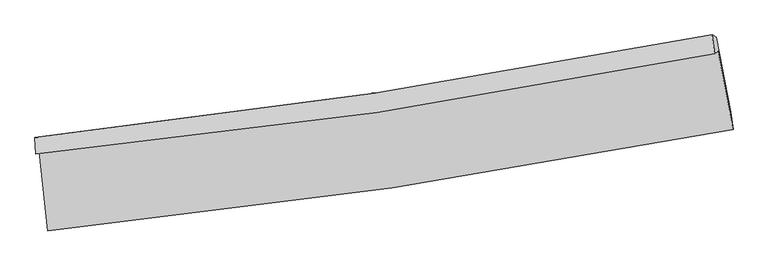
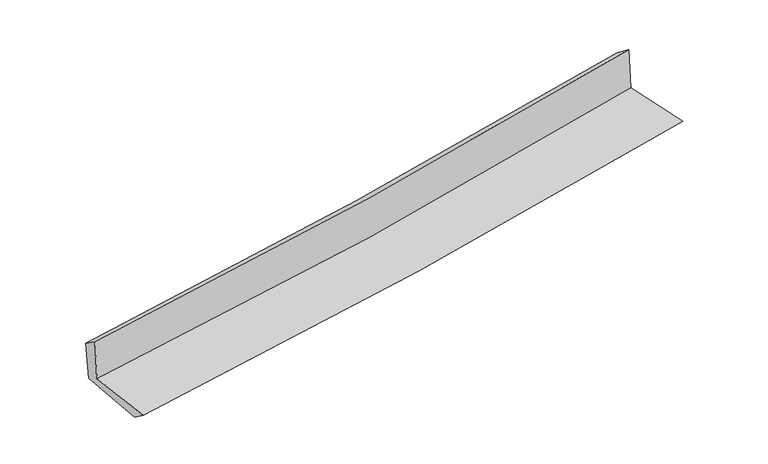
"""IFC4 building model written with IfcOpenShell, lengths in millimetres: proxy geometry."""

import ifcopenshell
import ifcopenshell.guid

model = None  # the IFC model being written
_history = None  # IfcOwnerHistory: only IFC2X3 demands one
_inside = {}  # id of a spatial element -> (the spatial element, [elements in it])
_under = {}  # id of a project, library or spatial element -> (it, [spatial elements below it])
_declared = {}  # id of a project -> (the project, [libraries it declares])
_typed = {}  # id of a type object -> (the type object, [elements of that type])
_made_of = {}  # id of a material, layer set ... -> (it, [elements and type objects made of it])


def new_model(schema):
    """Start an empty IFC model of exactly this schema.

    Asked for "IFC4X3", IfcOpenShell would pick the latest addendum, in which some entities
    have other attributes; the version numbers below select the first issue.
    IFC2X3 requires an IfcOwnerHistory on every rooted entity: one is made here for all.
    """
    global model, _history
    if schema == "IFC4X3":
        model = ifcopenshell.file(schema_version=(4, 3, 0, 0))
    else:
        model = ifcopenshell.file(schema=schema)
    _inside.clear()
    _under.clear()
    _declared.clear()
    _typed.clear()
    _made_of.clear()
    _history = None
    if model.schema == "IFC2X3":
        org = make("IfcOrganization", Name="unknown")
        user = make(
            "IfcPersonAndOrganization",
            ThePerson=make("IfcPerson", FamilyName="unknown"),
            TheOrganization=org,
        )
        app = make(
            "IfcApplication",
            ApplicationDeveloper=org,
            Version="unknown",
            ApplicationFullName="unknown",
            ApplicationIdentifier="unknown",
        )
        _history = make(
            "IfcOwnerHistory",
            OwningUser=user,
            OwningApplication=app,
            ChangeAction="ADDED",
            CreationDate=0,
        )
    return model


def make(cls, **values):
    """One entity of the class cls with the attributes given. An attribute that is None is left unset."""
    return model.create_entity(
        cls, **{name: value for name, value in values.items() if value is not None}
    )


def rooted(cls, **values):
    """An entity with a GlobalId (a new one), such as an element, a storey or a relation."""
    return make(cls, GlobalId=ifcopenshell.guid.new(), OwnerHistory=_history, **values)


def si_unit(unit_type, name, prefix=None):
    """IfcSIUnit, for example si_unit("LENGTHUNIT", "METRE", prefix="MILLI")."""
    return make("IfcSIUnit", UnitType=unit_type, Prefix=prefix, Name=name)


def assignment(units):
    """IfcUnitAssignment: the units of a project."""
    return None if units is None else make("IfcUnitAssignment", Units=units)


def point(xyz):
    """IfcCartesianPoint."""
    return None if xyz is None else make("IfcCartesianPoint", Coordinates=xyz)


def direction(xyz):
    """IfcDirection."""
    return None if xyz is None else make("IfcDirection", DirectionRatios=xyz)


def frame(location, z_axis=None, x_axis=None):
    """IfcAxis2Placement3D, a coordinate frame: its origin and axes. An axis left out is left unset."""
    return make(
        "IfcAxis2Placement3D",
        Location=point(location),
        Axis=direction(z_axis),
        RefDirection=direction(x_axis),
    )


def origin():
    """The frame at (0, 0, 0) with its axes left unset."""
    return frame((0.0, 0.0, 0.0))


def place(relative_to, where):
    """IfcLocalPlacement: puts the frame where relative to a parent placement (None: the world)."""
    return make(
        "IfcLocalPlacement", PlacementRelTo=relative_to, RelativePlacement=where
    )


def context(
    kind, dimensions, precision=None, world=None, true_north=None, identifier=None
):
    """IfcGeometricRepresentationContext, for example the 3D "Model" context."""
    return make(
        "IfcGeometricRepresentationContext",
        ContextIdentifier=identifier,
        ContextType=kind,
        CoordinateSpaceDimension=dimensions,
        Precision=precision,
        WorldCoordinateSystem=world,
        TrueNorth=true_north,
    )


def project(units=None, contexts=None):
    """IfcProject with its units and contexts."""
    return rooted(
        "IfcProject",
        Name="project",
        RepresentationContexts=contexts,
        UnitsInContext=assignment(units),
    )


def spatial(cls, under=None, at=None, **own):
    """A site, building, storey or space (cls), placed at a placement, below another one or the project."""
    s = rooted(cls, ObjectPlacement=at, **own)
    if under is not None:
        _under.setdefault(under.id(), (under, []))[1].append(s)
    return s


def shape(context_of_items, identifier, shape_type, items):
    """IfcShapeRepresentation: the items that make up one representation, for example the "Body"."""
    return make(
        "IfcShapeRepresentation",
        ContextOfItems=context_of_items,
        RepresentationIdentifier=identifier,
        RepresentationType=shape_type,
        Items=items,
    )


def source(mapping_origin, context_of_items, identifier, shape_type, items):
    """IfcRepresentationMap: a shape defined once, which mapped items show again and again."""
    return make(
        "IfcRepresentationMap",
        MappingOrigin=mapping_origin,
        MappedRepresentation=shape(context_of_items, identifier, shape_type, items),
    )


def transform(
    local_origin,
    x_axis=None,
    y_axis=None,
    z_axis=None,
    scale=None,
    scale2=None,
    scale3=None,
    uniform=True,
):
    """IfcCartesianTransformationOperator3D, or its non-uniform kind. x_axis, y_axis, z_axis: its Axis1, 2, 3."""
    if uniform:
        return make(
            "IfcCartesianTransformationOperator3D",
            Axis1=direction(x_axis),
            Axis2=direction(y_axis),
            LocalOrigin=point(local_origin),
            Scale=scale,
            Axis3=direction(z_axis),
        )
    return make(
        "IfcCartesianTransformationOperator3DnonUniform",
        Axis1=direction(x_axis),
        Axis2=direction(y_axis),
        LocalOrigin=point(local_origin),
        Scale=scale,
        Axis3=direction(z_axis),
        Scale2=scale2,
        Scale3=scale3,
    )


def mapped(mapping_source, mapping_target):
    """IfcMappedItem: shows the shape of a source again, moved by a transform."""
    return make(
        "IfcMappedItem", MappingSource=mapping_source, MappingTarget=mapping_target
    )


def made_of(thing, what):
    """Note that an element or type object is made of a material, layer set ...; save() writes the relation."""
    if what is not None:
        _made_of.setdefault(what.id(), (what, []))[1].append(thing)
    return thing


def element(
    cls,
    number,
    at=None,
    inside=None,
    cuts=None,
    type_object=None,
    material=None,
    context=None,
    identifier="Body",
    shape_type=None,
    held_by="IfcProductDefinitionShape",
    body=None,
    shapes=None,
    **own,
):
    """One element of the class cls, such as IfcWall. Its Tag is "e" and its number.

    at: its placement. inside: the storey or other place that contains it. cuts: it is an
    opening in that element (IfcRelVoidsElement). A single representation is given by context,
    identifier, shape_type and body (its items); several are given by shapes. held_by: the class
    of the entity that holds the representations. save() writes the other relations.
    """
    e = rooted(cls, Tag="e%d" % number, ObjectPlacement=at, **own)
    if body is not None:
        shapes = [shape(context, identifier, shape_type, body)]
    if shapes is not None:
        e.Representation = make(held_by, Representations=shapes)
    if inside is not None:
        _inside.setdefault(inside.id(), (inside, []))[1].append(e)
    if cuts is not None:
        rooted(
            "IfcRelVoidsElement", RelatingBuildingElement=cuts, RelatedOpeningElement=e
        )
    if type_object is not None:
        _typed.setdefault(type_object.id(), (type_object, []))[1].append(e)
    return made_of(e, material)


def aggregate(whole, parts):
    """IfcRelAggregates: a whole, such as a stair, and the parts it consists of."""
    return rooted("IfcRelAggregates", RelatingObject=whole, RelatedObjects=parts)


def save(model, path):
    """Write the relations noted so far, then the file.

    IfcRelAggregates (storeys below a building ...), IfcRelContainedInSpatialStructure (elements
    in a storey), IfcRelDefinesByType, IfcRelAssociatesMaterial and IfcRelDeclares: one each for
    every whole, place, type object, material and project.
    """
    for whole, parts in _under.values():
        aggregate(whole, parts)
    for where, things in _inside.values():
        rooted(
            "IfcRelContainedInSpatialStructure",
            RelatedElements=things,
            RelatingStructure=where,
        )
    for kind, things in _typed.values():
        rooted("IfcRelDefinesByType", RelatedObjects=things, RelatingType=kind)
    for what, things in _made_of.values():
        rooted("IfcRelAssociatesMaterial", RelatedObjects=things, RelatingMaterial=what)
    for by, libraries in _declared.values():
        rooted("IfcRelDeclares", RelatingContext=by, RelatedDefinitions=libraries)
    model.write(path)


def plane_surface(at):
    """IfcPlane: the flat surface through the origin of the frame at, square to its z axis."""
    return make("IfcPlane", Position=at)


def spline_curve(degree, points, multiplicities, knots, weights=None):
    """IfcBSplineCurveWithKnots; with weights, IfcRationalBSplineCurveWithKnots."""
    own = dict(
        Degree=degree,
        ControlPointsList=[point(p) for p in points],
        CurveForm="UNSPECIFIED",
        ClosedCurve=False,
        SelfIntersect=False,
        KnotMultiplicities=multiplicities,
        Knots=knots,
        KnotSpec="UNSPECIFIED",
    )
    if weights is None:
        return make("IfcBSplineCurveWithKnots", **own)
    return make("IfcRationalBSplineCurveWithKnots", WeightsData=weights, **own)


def spline_surface(u_degree, v_degree, points, u_multiplicities, v_multiplicities, u_knots, v_knots, weights=None):
    """IfcBSplineSurfaceWithKnots; with weights, IfcRationalBSplineSurfaceWithKnots. points: one row for each step in u."""
    own = dict(
        UDegree=u_degree,
        VDegree=v_degree,
        ControlPointsList=[[point(p) for p in row] for row in points],
        SurfaceForm="UNSPECIFIED",
        UClosed=False,
        VClosed=False,
        SelfIntersect=False,
        UMultiplicities=u_multiplicities,
        VMultiplicities=v_multiplicities,
        UKnots=u_knots,
        VKnots=v_knots,
        KnotSpec="UNSPECIFIED",
    )
    if weights is None:
        return make("IfcBSplineSurfaceWithKnots", **own)
    return make("IfcRationalBSplineSurfaceWithKnots", WeightsData=weights, **own)


def advanced_brep(points, edges, surfaces, faces):
    """IfcAdvancedBrep: a solid bounded by faces that lie on surfaces and meet in shared edges.

    An edge is (start, end): straight between two places in points (the first is 0);
    or (start, end, curve); or (start, end, curve, False) where it runs against its curve.
    A face is (place in surfaces, loops), or (place, loops, False) where it looks against
    its surface's normal. A loop lists edges by number (the first is 1), with a minus sign
    where the edge is run from its end to its start. The first loop is the outer one.
    """
    corners = [point(p) for p in points]
    vertices = [make("IfcVertexPoint", VertexGeometry=c) for c in corners]
    made = []
    for start, end, *more in edges:
        made.append(
            make(
                "IfcEdgeCurve",
                EdgeStart=vertices[start],
                EdgeEnd=vertices[end],
                EdgeGeometry=more[0] if more else make("IfcPolyline", Points=[corners[start], corners[end]]),
                SameSense=more[1] if len(more) > 1 else True,
            )
        )
    hull = []
    for where, loops, *sense in faces:
        bounds = []
        for j, loop in enumerate(loops):
            ring = [make("IfcOrientedEdge", EdgeElement=made[abs(k) - 1], Orientation=k > 0) for k in loop]
            bounds.append(
                make(
                    "IfcFaceOuterBound" if j == 0 else "IfcFaceBound",
                    Bound=make("IfcEdgeLoop", EdgeList=ring),
                    Orientation=True,
                )
            )
        hull.append(make("IfcAdvancedFace", Bounds=bounds, FaceSurface=surfaces[where], SameSense=sense[0] if sense else True))
    return make("IfcAdvancedBrep", Outer=make("IfcClosedShell", CfsFaces=hull))


def generic_models_fb9ba949(model_context):
    return source(origin(), model_context, "Body", "AdvancedBrep", [
        advanced_brep(
        [(-2880.4647909, -1894.0440424, 1627.304515), (-2811.0430594, -2561.3586793, 1627.9151936), (2950.0061713, -1707.1115468, 2131.5509585), (2824.7375134, -1049.1165083, 2122.8250674), (-2910.8117923, -1913.6148217, 2034.1092753), (2794.2589886, -1069.0065071, 2540.2318938), (-2917.4112315, -1774.109064, 1934.5735601), (2773.9626671, -909.8476531, 2416.3300008), (-2887.9936749, -1768.8359669, 1558.1417945), (2808.7543365, -930.0503873, 2039.8685719), (-2817.5097948, -2423.2214847, 1528.5021999), (2931.523596, -1560.3970547, 2014.5755533)],
        [
            (0, 1),
            (1, 2, spline_curve(3, [(-2811.0430594, -2561.3586793, 1627.9151936), (-1843.663969245, -2463.3465045, 1716.281227468), (-879.229493711, -2343.024361757, 1802.488754519), (1041.104064301, -2058.152686048, 1970.355477947), (1997.019332274, -1893.72578423, 2052.026539591), (2950.0061713, -1707.1115468, 2131.5509585)], [4, 2, 4], [0.0, 9.559076543911553, 19.09184507245225])),
            (2, 3),
            (3, 0, spline_curve(3, [(2824.7375134, -1049.1165083, 2122.8250674), (1882.58416915, -1236.984739803, 2036.031507027), (936.734205988, -1401.26500793, 1951.395271777), (-964.979463725, -1683.03789263, 1786.209830619), (-1920.863602374, -1800.400135844, 1705.672548525), (-2880.4647909, -1894.0440424, 1627.304515)], [4, 2, 4], [0.0, 9.532768528540698, 19.09184507245225])),
            (4, 0),
            (3, 5),
            (5, 4, spline_curve(3, [(2794.2589886, -1069.0065071, 2540.2318938), (1851.54768448, -1257.016169416, 2459.114708422), (905.429287572, -1421.340722033, 2376.4394993), (-996.242141302, -1703.007737242, 2207.740571412), (-1951.814004778, -1820.219289285, 2121.708240863), (-2910.8117923, -1913.6148217, 2034.1092753)], [4, 2, 4], [0.0, 9.486841789170422, 18.99986484759784])),
            (6, 4),
            (5, 7),
            (7, 6, spline_curve(3, [(2773.9626671, -909.8476531, 2416.3300008), (1832.688775423, -1091.866161635, 2337.856993929), (888.42833845, -1254.824257582, 2258.530618891), (-1008.67978748, -1543.016743205, 2097.949855018), (-1961.543983319, -1668.14578472, 2016.690750356), (-2917.4112315, -1774.109064, 1934.5735601)], [4, 2, 4], [0.0, 9.476415733356781, 18.97898396270959])),
            (8, 6),
            (7, 9),
            (9, 8, spline_curve(3, [(2808.7543365, -930.0503873, 2039.8685719), (1867.782515835, -1116.640823454, 1957.796534839), (923.22671284, -1279.77089363, 1876.670629955), (-975.669481778, -1559.495754813, 1716.089807874), (-1930.029682723, -1675.960877808, 1636.640120476), (-2887.9936749, -1768.8359669, 1558.1417945)], [4, 2, 4], [0.0, 9.467276022838226, 18.960679318397197])),
            (10, 8),
            (9, 11),
            (11, 10, spline_curve(3, [(2931.523596, -1560.3970547, 2014.5755533), (1979.446407668, -1736.177409144, 1932.163742331), (1024.98515393, -1895.89271069, 1850.5064993), (-891.346132524, -2183.589647444, 1688.477877503), (-1853.229342707, -2311.48248878, 1608.110669688), (-2817.5097948, -2423.2214847, 1528.5021999)], [4, 2, 4], [0.0, 9.513554510816952, 19.05336401120516])),
            (1, 10),
            (11, 2),
        ],
        [
            spline_surface(3, 3, [[(-2880.4647909, -1894.0440424, 1627.304515), (-1920.863602268, -1800.400135795, 1705.672548377), (-964.979463774, -1683.03789255, 1786.209830586), (936.734206037, -1401.26500801, 1951.39527181), (1882.584169007, -1236.984739828, 2036.031507087), (2824.7375134, -1049.1165083, 2122.8250674)], [(-2857.324213748, -2116.482254717, 1627.508074546), (-1895.130391282, -2021.382258713, 1709.208774797), (-936.396140396, -1903.033382313, 1791.636138533), (971.524158757, -1620.227567304, 1957.71534054), (1920.729223387, -1455.898421334, 2041.36318457), (2866.493732709, -1268.448187792, 2125.733697786)], [(-2834.183636552, -2338.920466983, 1627.711634054), (-1869.397180251, -2242.36438158, 1712.74500118), (-907.812817001, -2123.028872113, 1797.062446499), (1006.314111493, -1839.190126635, 1964.03540929), (1958.87427774, -1674.812102866, 2046.694861996), (2908.249951991, -1487.779867308, 2128.642328114)], [(-2811.0430594, -2561.3586793, 1627.9151936), (-1843.663969264, -2463.346504497, 1716.281227599), (-879.229493623, -2343.024361877, 1802.488754446), (1041.104064213, -2058.152685929, 1970.35547802), (1997.019332121, -1893.725784372, 2052.026539479), (2950.0061713, -1707.1115468, 2131.5509585)]], [4, 4], [4, 2, 4], [0.0, 2.1833905503195705], [0.0, 9.559076543911553, 19.09184507245225]),
            spline_surface(3, 3, [[(-2910.8117923, -1913.6148217, 2034.1092753), (-1951.814004628, -1820.219289324, 2121.70824089), (-996.242141329, -1703.007737152, 2207.74057129), (905.429287599, -1421.340722123, 2376.439499422), (1851.547684607, -1257.016169469, 2459.114708528), (2794.2589886, -1069.0065071, 2540.2318938)], [(-2900.696125181, -1907.09122858, 1898.507688536), (-1941.497203855, -1813.612904794, 1983.029676721), (-985.821248806, -1696.351122301, 2067.230324387), (915.864260416, -1414.648817435, 2234.758090216), (1861.89317938, -1250.339026287, 2318.086974711), (2804.41849684, -1062.376507531, 2401.096284996)], [(-2890.580458019, -1900.56763552, 1762.906101764), (-1931.18040304, -1807.006520325, 1844.351112545), (-975.400356297, -1689.6945074, 1926.720077489), (926.29923322, -1407.956912697, 2093.076681016), (1872.238674233, -1243.661883011, 2177.059240904), (2814.57800516, -1055.746507869, 2261.960676204)], [(-2880.4647909, -1894.0440424, 1627.304515), (-1920.863602268, -1800.400135795, 1705.672548377), (-964.979463774, -1683.03789255, 1786.209830586), (936.734206037, -1401.26500801, 1951.39527181), (1882.584169007, -1236.984739828, 2036.031507087), (2824.7375134, -1049.1165083, 2122.8250674)]], [4, 4], [4, 2, 4], [0.0, 1.3940587751502136], [0.0, 9.51302305842742, 18.99986484759784]),
            spline_surface(3, 3, [[(-2917.4112315, -1774.109064, 1934.5735601), (-1961.54398323, -1668.145784673, 2016.690750278), (-1008.679787473, -1543.01674335, 2097.949855168), (888.428338444, -1254.824257436, 2258.530618741), (1832.688775538, -1091.866161792, 2337.856994085), (2773.9626671, -909.8476531, 2416.3300008)], [(-2915.211418407, -1820.610983231, 1967.752131835), (-1958.300657003, -1718.836952888, 2051.696580483), (-1004.53390542, -1596.347074624, 2134.546760539), (894.095321501, -1310.329745671, 2297.833578965), (1838.975078576, -1146.916164328, 2378.276232232), (2780.728107615, -962.900604411, 2457.630631799)], [(-2913.011605393, -1867.112902469, 2000.930703565), (-1955.057330855, -1769.528121109, 2086.702410684), (-1000.388023383, -1649.677405879, 2171.143665919), (899.762304542, -1365.835233888, 2337.136539198), (1845.261381568, -1201.966166933, 2418.695470382), (2787.493548085, -1015.953555789, 2498.931262801)], [(-2910.8117923, -1913.6148217, 2034.1092753), (-1951.814004628, -1820.219289324, 2121.70824089), (-996.242141329, -1703.007737152, 2207.74057129), (905.429287599, -1421.340722123, 2376.439499422), (1851.547684607, -1257.016169469, 2459.114708528), (2794.2589886, -1069.0065071, 2540.2318938)]], [4, 4], [4, 2, 4], [0.0, 0.6547272309870625], [0.0, 9.50256822935281, 18.97898396270959]),
            spline_surface(3, 3, [[(-2887.9936749, -1768.8359669, 1558.1417945), (-1930.029682743, -1675.960877876, 1636.640120599), (-975.669481835, -1559.495754798, 1716.089807996), (923.226712898, -1279.770893644, 1876.670629834), (1867.782515815, -1116.640823512, 1957.796534907), (2808.7543365, -930.0503873, 2039.8685719)], [(-2897.799527128, -1770.593665949, 1683.619049701), (-1940.5344496, -1673.355846824, 1763.323663826), (-986.672917067, -1554.002750953, 1843.376490374), (911.627254728, -1271.455348212, 2003.95729279), (1856.084602382, -1108.382602949, 2084.483354635), (2797.15711336, -923.316142577, 2165.355714869)], [(-2907.605379272, -1772.351364951, 1809.096304899), (-1951.039216373, -1670.750815726, 1890.007207051), (-997.676352242, -1548.509747196, 1970.66317279), (900.027796614, -1263.139802868, 2131.243955785), (1844.386688971, -1100.124382355, 2211.170174357), (2785.55989024, -916.581897823, 2290.842857831)], [(-2917.4112315, -1774.109064, 1934.5735601), (-1961.54398323, -1668.145784673, 2016.690750278), (-1008.679787473, -1543.01674335, 2097.949855168), (888.428338444, -1254.824257436, 2258.530618741), (1832.688775538, -1091.866161792, 2337.856994085), (2773.9626671, -909.8476531, 2416.3300008)]], [4, 4], [4, 2, 4], [0.0, 1.2595816460307794], [0.0, 9.493403295558972, 18.960679318397197]),
            spline_surface(3, 3, [[(-2817.5097948, -2423.2214847, 1528.5021999), (-1853.229342662, -2311.482488924, 1608.110669571), (-891.346132609, -2183.589647368, 1688.477877543), (1024.985154015, -1895.892710766, 1850.50649926), (1979.446407547, -1736.177408988, 1932.163742407), (2931.523596, -1560.3970547, 2014.5755533)], [(-2841.004421474, -2205.092978755, 1538.382064759), (-1878.829455996, -2099.641951896, 1617.620486573), (-919.453915686, -1975.55834986, 1697.681854373), (991.065673641, -1690.518771741, 1859.227876131), (1942.22511031, -1529.665213822, 1940.708006557), (2890.600509506, -1350.281498893, 2023.006559483)], [(-2864.499048226, -1986.964472845, 1548.261929641), (-1904.429569409, -1887.801414904, 1627.130303597), (-947.561698759, -1767.527052306, 1706.885831165), (957.146193272, -1485.144832669, 1867.949252963), (1905.003813053, -1323.153018678, 1949.252270757), (2849.677422994, -1140.165943107, 2031.437565717)], [(-2887.9936749, -1768.8359669, 1558.1417945), (-1930.029682743, -1675.960877876, 1636.640120599), (-975.669481835, -1559.495754798, 1716.089807996), (923.226712898, -1279.770893644, 1876.670629834), (1867.782515815, -1116.640823512, 1957.796534907), (2808.7543365, -930.0503873, 2039.8685719)]], [4, 4], [4, 2, 4], [0.0, 2.059161970459579], [0.0, 9.539809500388209, 19.05336401120516]),
            spline_surface(3, 3, [[(-2811.0430594, -2561.3586793, 1627.9151936), (-1843.663969264, -2463.346504497, 1716.281227599), (-879.229493623, -2343.024361877, 1802.488754446), (1041.104064213, -2058.152685929, 1970.35547802), (1997.019332121, -1893.725784372, 2052.026539479), (2950.0061713, -1707.1115468, 2131.5509585)], [(-2813.198637862, -2515.312947768, 1594.777529024), (-1846.852427059, -2412.725165974, 1680.224374914), (-883.26837327, -2289.879457043, 1764.485128823), (1035.731094162, -2004.066027544, 1930.405818445), (1991.161690599, -1841.209659241, 2012.072273789), (2943.845312869, -1658.206716097, 2092.559156767)], [(-2815.354216338, -2469.267216232, 1561.639864476), (-1850.040884867, -2362.103827446, 1644.167522257), (-887.307252962, -2236.734552201, 1726.481503166), (1030.358124066, -1949.979369151, 1890.456158835), (1985.304049069, -1788.693534119, 1972.118008097), (2937.684454431, -1609.301885403, 2053.567355033)], [(-2817.5097948, -2423.2214847, 1528.5021999), (-1853.229342662, -2311.482488924, 1608.110669571), (-891.346132609, -2183.589647368, 1688.477877543), (1024.985154015, -1895.892710766, 1850.50649926), (1979.446407547, -1736.177408988, 1932.163742407), (2931.523596, -1560.3970547, 2014.5755533)]], [4, 4], [4, 2, 4], [0.0, 0.6540359337886734], [0.0, 9.59506181773018, 19.163716583207396]),
            plane_surface(frame((2847.2072121, -1204.2549429, 2210.8970076), z_axis=(0.9789781415040835, 0.18744362704753356, 0.08041570205175193), x_axis=(-0.09189435074632488, 0.053360967458735205, 0.9943379885395002))),
            plane_surface(frame((-2870.8723906, -2055.8640098, 1718.4244231), z_axis=(-0.9915215839221412, -0.10322169376651076, -0.0789318095098609), x_axis=(-0.10347302595169053, 0.9946318436523869, -0.0009102159384892478))),
        ],
        [
            (0, [[1, 2, 3, 4]]),
            (1, [[5, -4, 6, 7]]),
            (2, [[8, -7, 9, 10]]),
            (3, [[11, -10, 12, 13]]),
            (4, [[14, -13, 15, 16]]),
            (5, [[17, -16, 18, -2]]),
            (6, [[-12, -9, -6, -3, -18, -15]]),
            (7, [[-1, -5, -8, -11, -14, -17]]),
        ],
    ),
    ])


if __name__ == "__main__":
    model = new_model("IFC4")
    model_context = context("Model", 3, world=origin())
    ifc_project = project(units=[si_unit("LENGTHUNIT", "METRE", prefix="MILLI")], contexts=[model_context])
    site = spatial("IfcSite", under=ifc_project)
    building = spatial("IfcBuilding", under=site)
    placement = place(None, origin())
    generic_models_shape = generic_models_fb9ba949(model_context)
    element("IfcBuildingElementProxy", 1, Name="Generic Models", at=placement, inside=building, context=model_context, shape_type="MappedRepresentation", body=[
        mapped(generic_models_shape, transform((0.0, 0.0, 0.0), x_axis=(1.0, 0.0, 0.0), y_axis=(0.0, 1.0, 0.0), z_axis=(0.0, 0.0, 1.0))),
    ])
    save(model, "model.ifc")
